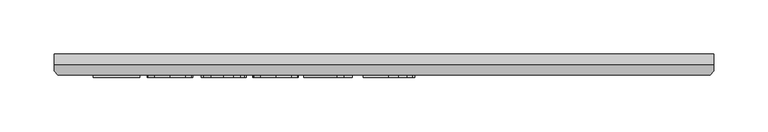
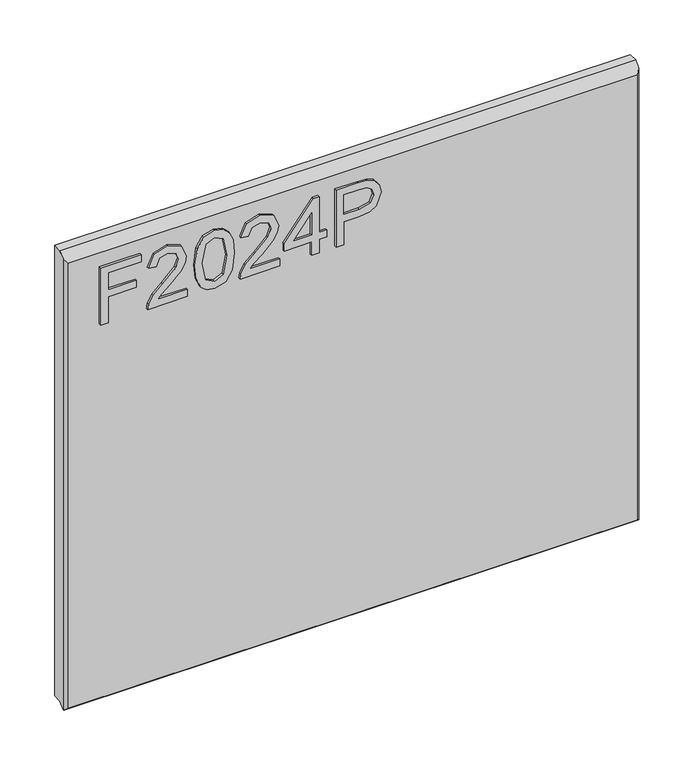
"""IFC4 building model written with IfcOpenShell, lengths in millimetres: furniture geometry."""

from ifc_helpers import new_model, si_unit, frame, origin, place, context, project, spatial, polyline, outline, extrude, faceted_brep, source, transform, mapped, element, save


def furniture_10eb69d0(model_context):
    return source(origin(), model_context, "Body", "SolidModel", [
        extrude(outline(polyline([(1523.8035628, -249.8436441), (1523.8035628, -241.8699245), (1552.7082964, -241.8699245), (1552.7082964, -211.9684759), (1560.682016, -211.9684759), (1560.682016, -241.8699245), (1579.6196001, -241.8699245), (1579.6196001, -206.9849011), (1587.5933197, -206.9849011), (1587.5933197, -249.8436441), (1523.8035628, -249.8436441)])), frame((0.0, -21.9273437, 0.0), z_axis=(0.0, 1.0, 0.0), x_axis=(0.0, 0.0, 1.0)), (0.0, 0.0, 1.0), 2.38125),
        extrude(outline(polyline([(1531.7772824, -158.1458685), (1531.7772824, -189.4645211), (1535.8342237, -185.8670031), (1543.5042567, -176.6941108), (1554.429187, -165.270823), (1562.2471699, -160.5597875), (1569.8081873, -159.1425834), (1582.4851556, -164.3986974), (1587.5933197, -178.671967), (1582.9990867, -192.8985156), (1569.6524506, -199.0111815), (1568.6557356, -191.0374619), (1576.7073236, -187.6813358), (1579.6196001, -178.8432774), (1576.6372421, -170.3634135), (1569.3254035, -167.116303), (1560.2926742, -170.5580844), (1547.0083327, -184.3252096), (1537.7653589, -194.3079328), (1529.3010687, -199.1513445), (1523.8035628, -200.0078965), (1523.8035628, -158.1458685), (1531.7772824, -158.1458685)])), frame((0.0, -21.9273437, 0.0), z_axis=(0.0, 1.0, 0.0), x_axis=(0.0, 0.0, 1.0)), (0.0, 0.0, 1.0), 2.38125),
        extrude(outline(polyline([(1555.1845101, -150.1721488), (1539.6692402, -148.5836344), (1528.8805795, -143.818091), (1524.3252807, -137.5263279), (1522.8068478, -129.2411348), (1526.303137, -117.5686683), (1536.908807, -110.6305978), (1555.1845101, -108.3101208), (1570.1741685, -109.7584723), (1579.6118132, -113.4961533), (1585.5375951, -119.9280795), (1587.5933197, -129.2411348), (1584.120391, -140.8668803), (1573.5380815, -147.8283113), (1555.1845101, -150.1721488)]), holes=[polyline([(1555.2000837, -142.1984292), (1575.3524142, -138.3361588), (1579.6196001, -129.3345769), (1574.7761884, -119.8969322), (1555.2000837, -116.2838405), (1535.4137346, -120.0215215), (1530.7805674, -129.2411348), (1535.3981609, -138.4607482), (1555.2000837, -142.1984292)])]), frame((0.0, -21.9273438, 0.0), z_axis=(0.0, 1.0, 0.0), x_axis=(0.0, 0.0, 1.0)), (0.0, 0.0, 1.0), 2.38125),
        extrude(outline(polyline([(1531.7772824, -60.4678031), (1531.7772824, -91.7864558), (1535.8342237, -88.1889378), (1543.5042567, -79.0160455), (1554.429187, -67.5927577), (1562.2471699, -62.8817222), (1569.8081873, -61.4645181), (1582.4851556, -66.7206321), (1587.5933197, -80.9939017), (1582.9990867, -95.2204503), (1569.6524506, -101.3331162), (1568.6557356, -93.3593966), (1576.7073236, -90.0032704), (1579.6196001, -81.1652121), (1576.6372421, -72.6853481), (1569.3254035, -69.4382377), (1560.2926742, -72.880019), (1547.0083327, -86.6471443), (1537.7653589, -96.6298675), (1529.3010687, -101.4732792), (1523.8035628, -102.3298311), (1523.8035628, -60.4678031), (1531.7772824, -60.4678031)])), frame((0.0, -21.9273437, 0.0), z_axis=(0.0, 1.0, 0.0), x_axis=(0.0, 0.0, 1.0)), (0.0, 0.0, 1.0), 2.38125),
        extrude(outline(polyline([(1523.8035628, -26.5794948), (1523.8035628, -18.6057751), (1538.754287, -18.6057751), (1538.754287, -10.6320555), (1546.7280067, -10.6320555), (1546.7280067, -18.6057751), (1586.5966047, -18.6057751), (1586.5966047, -24.5860649), (1546.7280067, -55.4842284), (1538.754287, -55.4842284), (1538.754287, -26.5794948), (1523.8035628, -26.5794948)]), holes=[polyline([(1546.7280067, -26.5794948), (1546.7280067, -45.6728156), (1571.3655544, -26.5794948), (1546.7280067, -26.5794948)])]), frame((0.0, -21.9273438, 0.0), z_axis=(0.0, 1.0, 0.0), x_axis=(0.0, 0.0, 1.0)), (0.0, 0.0, 1.0), 2.38125),
        extrude(outline(polyline([(1523.8035628, -0.664906), (1523.8035628, 7.3088136), (1549.7181515, 7.3088136), (1549.7181515, 23.5210053), (1551.1275687, 34.8489043), (1555.3558205, 42.0458871), (1569.1385194, 47.1774117), (1577.8364147, 45.2774238), (1584.0035885, 40.2549149), (1586.9859465, 32.5070135), (1587.5933197, 22.9759268), (1587.5933197, -0.664906), (1523.8035628, -0.664906)]), holes=[polyline([(1557.6918711, 7.3088136), (1579.6196001, 7.3088136), (1579.6196001, 23.8013313), (1579.0745216, 31.775051), (1575.4614299, 37.1557543), (1568.8581933, 39.2036921), (1560.6197213, 35.7307634), (1557.6918711, 23.9882154), (1557.6918711, 7.3088136)])]), frame((0.0, -21.9273438, 0.0), z_axis=(0.0, 1.0, 0.0), x_axis=(0.0, 0.0, 1.0)), (0.0, 0.0, 1.0), 2.38125),
        faceted_brep([(323.5377049, 0.0, 1612.7035627), (-286.0622951, 0.0, 1612.7035627), (-286.0622951, -10.0314449, 1612.7035627), (323.5377049, -10.0314449, 1612.7035627), (-286.0622951, 0.0, 1108.176219), (323.5377049, 0.0, 1108.176219), (323.5377049, -10.0314449, 1108.176219), (-286.0622951, -10.0314449, 1108.176219), (-286.0622951, -15.7726273, 1102.4350367), (-286.0622951, -15.7726273, 1606.9623804), (-282.8959807, -19.5460937, 1105.001219), (320.3713906, -19.5460937, 1105.001219), (320.3713906, -19.5460937, 1603.1889139), (-282.8959807, -19.5460937, 1603.1889139), (323.5377049, -15.7726273, 1606.9623804), (323.5377049, -15.7726273, 1102.4350367), (-285.5514364, -16.3814449, 1101.826219), (323.0268462, -16.3814449, 1101.826219)], [[[0, 1, 2, 3]], [[4, 5, 6, 7]], [[1, 4, 7, 8, 9, 2]], [[10, 11, 12, 13]], [[5, 0, 3, 14, 15, 6]], [[1, 0, 5, 4]], [[11, 10, 16, 17]], [[7, 6, 15, 17, 16, 8]], [[3, 2, 9, 13, 12, 14]], [[9, 8, 16, 10, 13]], [[12, 11, 17, 15, 14]]]),
    ])


if __name__ == "__main__":
    model = new_model("IFC4")
    model_context = context("Model", 3, world=origin())
    ifc_project = project(units=[si_unit("LENGTHUNIT", "METRE", prefix="MILLI")], contexts=[model_context])
    site = spatial("IfcSite", under=ifc_project)
    building = spatial("IfcBuilding", under=site)
    placement = place(None, origin())
    furniture_shape = furniture_10eb69d0(model_context)
    element("IfcFurniture", 1, at=placement, inside=building, context=model_context, shape_type="MappedRepresentation", body=[
        mapped(furniture_shape, transform((0.0, 0.0, 0.0), x_axis=(1.0, 0.0, 0.0), y_axis=(0.0, 1.0, 0.0), z_axis=(0.0, 0.0, 1.0))),
    ])
    save(model, "model.ifc")
